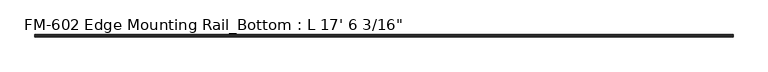
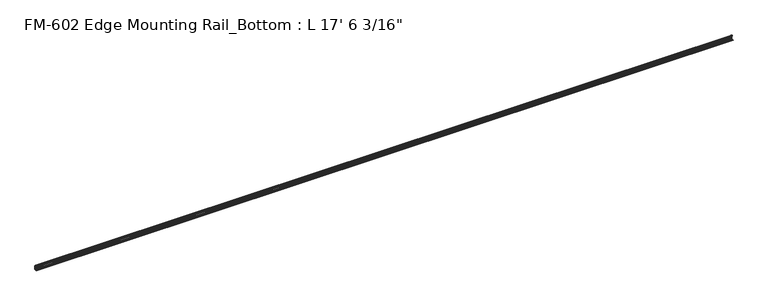
"""IFC4 building model written with IfcOpenShell, lengths in millimetres: proxy geometry."""

from ifc_helpers import new_model, si_unit, point, frame, frame_2d, origin, place, context, project, spatial, polyline, circle_curve, trimmed, segment, composite_curve, outline, extrude, source, transform, mapped, element, save


def proxy_65e00005(model_context):
    return source(origin(), model_context, "Body", "SweptSolid", [
        extrude(outline(composite_curve([segment(polyline([(13.6400687, 32.1158903), (15.4750158, 32.6885982)]), True, "CONTINUOUS"), segment(trimmed(circle_curve(frame_2d((15.6853088, 32.2686835)), 0.4696291), [point((15.4750158, 32.6885982))], [point((16.1549378, 32.2686835))], False, "CARTESIAN"), True, "CONTINUOUS"), segment(polyline([(16.1549378, 32.2686835), (16.1549378, 30.7270734)]), True, "CONTINUOUS"), segment(trimmed(circle_curve(frame_2d((17.7424378, 30.7270734)), 1.5875), [point((16.1549378, 30.7270734))], [point((17.7424378, 29.1395734))], True, "CARTESIAN"), True, "CONTINUOUS"), segment(polyline([(17.7424378, 29.1395734), (19.05, 29.1395734), (19.05, 0.0), (0.0, 0.0), (0.0, 1.5875), (3.2106953, 1.5875)]), True, "CONTINUOUS"), segment(trimmed(circle_curve(frame_2d((4.7981953, 1.5875)), 1.5875), [point((3.2106953, 1.5875))], [point((6.3856306, 1.6018315))], False, "CARTESIAN"), True, "CONTINUOUS"), segment(polyline([(6.3856306, 1.6018315), (15.5573314, 1.6102595)]), True, "CONTINUOUS"), segment(trimmed(circle_curve(frame_2d((15.5575, 3.5152595)), 1.905), [point((15.5573314, 1.6102595))], [point((17.4625, 3.5152595))], True, "CARTESIAN"), True, "CONTINUOUS"), segment(polyline([(17.4625, 3.5152595), (17.4625, 12.4909614), (17.9716639, 13.408381), (17.9716639, 14.7485418), (17.4625, 15.6659614), (17.4625, 26.8535734)]), True, "CONTINUOUS"), segment(trimmed(circle_curve(frame_2d((16.9545, 26.8535734)), 0.508), [point((17.4625, 26.8535734))], [point((16.9376166, 27.3612928))], True, "CARTESIAN"), True, "CONTINUOUS"), segment(trimmed(circle_curve(frame_2d((16.9169378, 26.5995734)), 0.762), [point((16.9376166, 27.3612928))], [point((16.1779173, 26.4138515))], True, "CARTESIAN"), True, "CONTINUOUS"), segment(trimmed(circle_curve(frame_2d((15.6245238, 26.2747792)), 0.5706009), [point((16.1779173, 26.4138515))], [point((15.4364113, 25.7360779))], False, "CARTESIAN"), True, "CONTINUOUS"), segment(polyline([(15.4364113, 25.7360779), (13.6400687, 26.2967369)]), True, "CONTINUOUS"), segment(trimmed(circle_curve(frame_2d((14.5481808, 29.2063136)), 3.048), [point((13.6400687, 26.2967369))], [point((11.9462301, 30.7938136))], False, "CARTESIAN"), True, "CONTINUOUS"), segment(trimmed(circle_curve(frame_2d((14.5481808, 29.2063136)), 3.048), [point((11.9462301, 30.7938136))], [point((13.6400687, 32.1158903))], False, "CARTESIAN"), True, "CONTINUOUS")], self_intersect=False)), frame((-5033.9625, 0.0, 0.0), z_axis=(1.0, 0.0, 0.0), x_axis=(0.0, 1.0, 0.0)), (0.0, 0.0, 1.0), 5338.7625),
    ])


if __name__ == "__main__":
    model = new_model("IFC4")
    model_context = context("Model", 3, world=origin())
    ifc_project = project(units=[si_unit("LENGTHUNIT", "METRE", prefix="MILLI")], contexts=[model_context])
    site = spatial("IfcSite", under=ifc_project)
    building = spatial("IfcBuilding", under=site)
    placement = place(None, origin())
    proxy_shape = proxy_65e00005(model_context)
    element("IfcBuildingElementProxy", 1, Name="FM-602 Edge Mounting Rail_Bottom : L 17' 6 3/16\"", ObjectType="FM-602 Edge Mounting Rail_Bottom : L 17' 6 3/16\"", at=placement, inside=building, context=model_context, shape_type="MappedRepresentation", body=[
        mapped(proxy_shape, transform((0.0, 0.0, 0.0), x_axis=(1.0, 0.0, 0.0), y_axis=(0.0, 1.0, 0.0), z_axis=(0.0, 0.0, 1.0))),
    ])
    save(model, "model.ifc")
